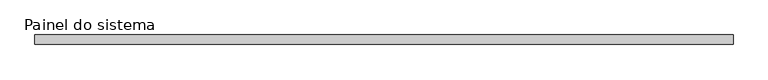
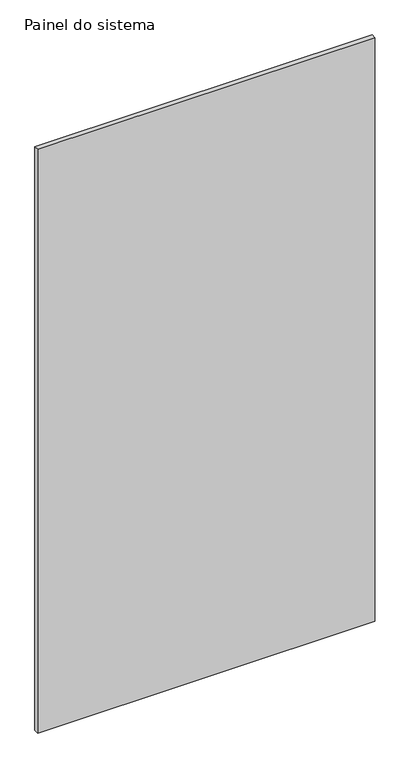
"""IFC4 building model written with IfcOpenShell, lengths in millimetres: plate geometry, Painel do sistema."""

from ifc_helpers import new_model, si_unit, origin, origin_with_axes, place, context, project, spatial, polyline, outline, extrude, source, transform, mapped, element, save


def painel_do_sistema_1208c86e(model_context):
    return source(origin(), model_context, "Body", "SweptSolid", [
        extrude(outline(polyline([(915.0000002, 24.5), (-915.0000002, 24.5), (-915.0000002, 49.5), (915.0000002, 49.5), (915.0000002, 24.5)])), origin_with_axes(), (0.0, 0.0, 1.0), 3350.0),
    ])


if __name__ == "__main__":
    model = new_model("IFC4")
    model_context = context("Model", 3, world=origin())
    ifc_project = project(units=[si_unit("LENGTHUNIT", "METRE", prefix="MILLI")], contexts=[model_context])
    site = spatial("IfcSite", under=ifc_project)
    building = spatial("IfcBuilding", under=site)
    placement = place(None, origin())
    painel_do_sistema_shape = painel_do_sistema_1208c86e(model_context)
    element("IfcPlate", 1, ObjectType="Painel do sistema", at=placement, inside=building, context=model_context, shape_type="MappedRepresentation", body=[
        mapped(painel_do_sistema_shape, transform((0.0, 0.0, 0.0), x_axis=(1.0, 0.0, 0.0), y_axis=(0.0, 1.0, 0.0), z_axis=(0.0, 0.0, 1.0))),
    ])
    save(model, "model.ifc")
